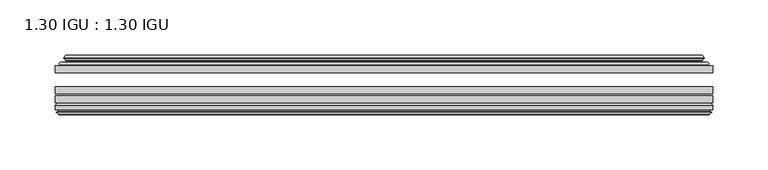
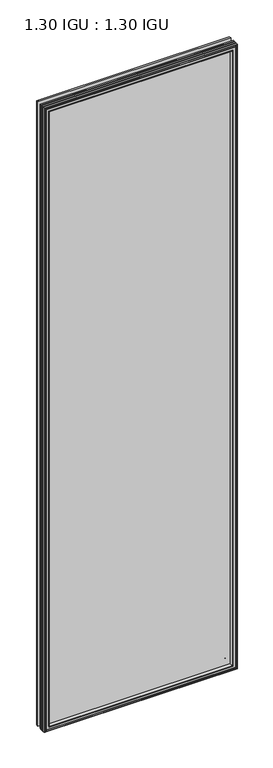
"""IFC4 building model written with IfcOpenShell, lengths in millimetres: plate geometry, 1.30 IGU : 1.30 IGU."""

from ifc_helpers import new_model, si_unit, frame, origin, place, context, project, spatial, polyline, ellipse_curve, outline, extrude, faceted_brep, source, transform, mapped, element, save
from ifc_brep_helpers import plane_surface, cylinder_surface, revolved_surface, advanced_brep


def plate_1_30_igu_1_30_igu_c314a17d(model_context):
    return source(origin(), model_context, "Body", "SolidModel", [
        extrude(outline(polyline([(296.6907351, -44.92625), (296.6907351, -51.27625), (-296.7576818, -51.27625), (-296.7576818, -44.92625), (296.6907351, -44.92625)])), frame((0.0, 0.0, -14.2875), z_axis=(0.0, 0.0, 1.0), x_axis=(1.0, 0.0, 0.0)), (0.0, 0.0, 1.0), 2025.65),
        extrude(outline(polyline([(-296.7576818, -78.58125), (-296.7576818, -72.23125), (296.6907351, -72.23125), (296.6907351, -78.58125), (-296.7576818, -78.58125)])), frame((0.0, 0.0, -14.2875), z_axis=(0.0, 0.0, 1.0), x_axis=(1.0, 0.0, 0.0)), (0.0, 0.0, 1.0), 2025.65),
        extrude(outline(polyline([(-296.7576818, -70.32625), (-296.7576818, -63.97625), (296.6907351, -63.97625), (296.6907351, -70.32625), (-296.7576818, -70.32625)])), frame((0.0, 0.0, -14.2875), z_axis=(0.0, 0.0, 1.0), x_axis=(1.0, 0.0, 0.0)), (0.0, 0.0, 1.0), 2025.65),
        advanced_brep(
        [(-278.422472, -43.8351483, 1993.0272902), (-278.8642822, -44.92625, 1993.4691004), (-278.8642822, -44.92625, 3.6058996), (-278.422472, -43.8351483, 4.0477098), (-282.4701818, -36.11245, 1997.075), (-282.4701818, -36.11245, 0.0), (-287.6560927, -37.2935491, 2002.2609109), (-287.6560927, -37.2935491, -5.1859109), (-287.3265175, -36.4664324, 2001.9313356), (-287.3265175, -36.4664324, -4.8563356), (-287.3265175, -35.6521812, 2001.9313356), (-287.3265175, -35.6521812, -4.8563356), (-289.1427929, -37.610817, 2003.7476111), (-289.1427929, -37.610817, -6.6726111), (-289.1427929, -38.3239429, 2003.7476111), (-289.1427929, -38.3239429, -6.6726111), (-287.3265175, -40.2727974, 2001.9313356), (-287.3265175, -40.2727974, -4.8563356), (-287.3265175, -39.4683275, 2001.9313356), (-287.3265175, -39.4683275, -4.8563356), (-287.648432, -38.6604367, 2002.2532501), (-287.648432, -38.6604367, -5.1782501), (-285.1246197, -38.502045, 1999.7294379), (-285.1246197, -38.502045, -2.6544379), (-284.0988035, -39.1897544, 1998.7036217), (-284.0988035, -39.1897544, -1.6286217), (-284.2172107, -40.5842231, 1998.8220288), (-284.2172107, -40.5842231, -1.7470288), (-284.8189566, -42.08145, 1999.4237748), (-284.8189566, -42.08145, -2.3487748), (-292.7447372, -43.9898729, 2007.3495553), (-292.2591063, -42.08145, 2006.8639245), (-292.2591063, -42.08145, -9.7889245), (-292.7447372, -43.9898729, -10.2745553), (-291.0239973, -44.92625, 2005.6288155), (-291.0239973, -44.92625, -8.5538155), (278.8642822, -44.92625, 3.6058996), (278.422472, -43.8351483, 4.0477098), (282.4701818, -36.11245, 0.0), (287.6560927, -37.2935491, -5.1859109), (287.3265175, -36.4664324, -4.8563356), (287.3265175, -35.6521812, -4.8563356), (289.1427929, -37.610817, -6.6726111), (289.1427929, -38.3239429, -6.6726111), (287.3265175, -40.2727974, -4.8563356), (287.3265175, -39.4683275, -4.8563356), (287.648432, -38.6604367, -5.1782501), (285.1246197, -38.502045, -2.6544379), (284.0988035, -39.1897544, -1.6286217), (284.2172107, -40.5842231, -1.7470288), (284.8189566, -42.08145, -2.3487748), (292.2591063, -42.08145, -9.7889245), (292.7447372, -43.9898729, -10.2745553), (291.0239973, -44.92625, -8.5538155), (278.8642822, -44.92625, 1993.4691004), (278.422472, -43.8351483, 1993.0272902), (282.4701818, -36.11245, 1997.075), (287.6560927, -37.2935491, 2002.2609109), (287.3265175, -36.4664324, 2001.9313356), (287.3265175, -35.6521812, 2001.9313356), (289.1427929, -37.610817, 2003.7476111), (289.1427929, -38.3239429, 2003.7476111), (287.3265175, -40.2727974, 2001.9313356), (287.3265175, -39.4683275, 2001.9313356), (287.648432, -38.6604367, 2002.2532501), (285.1246197, -38.502045, 1999.7294379), (284.0988035, -39.1897544, 1998.7036217), (284.2172107, -40.5842231, 1998.8220288), (284.8189566, -42.08145, 1999.4237748), (292.2591063, -42.08145, 2006.8639245), (292.7447372, -43.9898729, 2007.3495553), (291.0239973, -44.92625, 2005.6288155)],
        [
            (0, 1, ellipse_curve(frame((-278.8642822, -44.29125, 1993.4691004), z_axis=(-0.7071067811865475, 0.0, -0.7071067811865475), x_axis=(-0.7071067811865474, 0.0, 0.7071067811865476)), 0.8980256, 0.635)),
            (1, 2),
            (2, 3, ellipse_curve(frame((-278.8642822, -44.29125, 3.6058996), z_axis=(-0.7071067811865475, 0.0, 0.7071067811865475), x_axis=(0.7071067811865474, 0.0, 0.7071067811865476)), 0.8980256, 0.635)),
            (3, 0),
            (4, 0, ellipse_curve(frame((-268.7373872, -33.8367745, 1983.3422054), z_axis=(0.7071067811865475, 0.0, 0.7071067811865475), x_axis=(0.7071067811865474, 0.0, -0.7071067811865476)), 19.6859517, 13.9200699)),
            (3, 5, ellipse_curve(frame((-268.7373872, -33.8367745, 13.7327946), z_axis=(0.7071067811865475, 0.0, -0.7071067811865475), x_axis=(-0.7071067811865474, 0.0, -0.7071067811865476)), 19.6859517, 13.9200699)),
            (5, 4),
            (6, 4),
            (5, 7),
            (7, 6),
            (8, 6),
            (7, 9),
            (9, 8),
            (10, 8),
            (9, 11),
            (11, 10),
            (12, 10),
            (11, 13),
            (13, 12),
            (14, 12, ellipse_curve(frame((-288.7809547, -37.96738, 2003.3857729), z_axis=(-0.7071067811865475, 0.0, -0.7071067811865475), x_axis=(-0.7071067811865474, 0.0, 0.7071067811865476)), 0.7184205, 0.508)),
            (13, 15, ellipse_curve(frame((-288.7809547, -37.96738, -6.3107729), z_axis=(-0.7071067811865475, 0.0, 0.7071067811865475), x_axis=(0.7071067811865474, 0.0, 0.7071067811865476)), 0.7184205, 0.508)),
            (15, 14),
            (16, 14),
            (15, 17),
            (17, 16),
            (18, 16),
            (17, 19),
            (19, 18),
            (20, 18),
            (19, 21),
            (21, 20),
            (22, 20),
            (21, 23),
            (23, 22),
            (24, 22, ellipse_curve(frame((-285.0609818, -39.51605, 1999.6658), z_axis=(0.7071067811865475, 0.0, 0.7071067811865475), x_axis=(0.7071067811865474, 0.0, -0.7071067811865476)), 1.436841, 1.016)),
            (23, 25, ellipse_curve(frame((-285.0609818, -39.51605, -2.5908), z_axis=(0.7071067811865475, 0.0, -0.7071067811865475), x_axis=(-0.7071067811865474, 0.0, -0.7071067811865476)), 1.436841, 1.016)),
            (25, 24),
            (26, 24, ellipse_curve(frame((-286.4325818, -39.69385, 2001.0374), z_axis=(0.7071067811865475, 0.0, 0.7071067811865475), x_axis=(0.7071067811865474, 0.0, -0.7071067811865476)), 3.3765763, 2.3876)),
            (25, 27, ellipse_curve(frame((-286.4325818, -39.69385, -3.9624), z_axis=(0.7071067811865475, 0.0, -0.7071067811865475), x_axis=(-0.7071067811865474, 0.0, -0.7071067811865476)), 3.3765763, 2.3876)),
            (27, 26),
            (28, 26),
            (27, 29),
            (29, 28),
            (30, 31, ellipse_curve(frame((-292.2591063, -43.09745, 2006.8639245), z_axis=(-0.7071067811865475, 0.0, -0.7071067811865475), x_axis=(-0.7071067811865474, 0.0, 0.7071067811865476)), 1.436841, 1.016)),
            (31, 32),
            (32, 33, ellipse_curve(frame((-292.2591063, -43.09745, -9.7889245), z_axis=(-0.7071067811865475, 0.0, 0.7071067811865475), x_axis=(0.7071067811865474, 0.0, 0.7071067811865476)), 1.436841, 1.016)),
            (33, 30),
            (34, 30),
            (33, 35),
            (35, 34),
            (2, 36),
            (36, 37, ellipse_curve(frame((278.8642822, -44.29125, 3.6058996), z_axis=(-0.7071067811865475, 0.0, -0.7071067811865475), x_axis=(-0.7071067811865476, 0.0, 0.7071067811865474)), 0.8980256, 0.635)),
            (37, 3),
            (37, 38, ellipse_curve(frame((268.7373872, -33.8367745, 13.7327946), z_axis=(0.7071067811865475, 0.0, 0.7071067811865475), x_axis=(0.7071067811865476, 0.0, -0.7071067811865474)), 19.6859517, 13.9200699)),
            (38, 5),
            (38, 39),
            (39, 7),
            (39, 40),
            (40, 9),
            (40, 41),
            (41, 11),
            (41, 42),
            (42, 13),
            (42, 43, ellipse_curve(frame((288.7809547, -37.96738, -6.3107729), z_axis=(-0.7071067811865475, 0.0, -0.7071067811865475), x_axis=(-0.7071067811865476, 0.0, 0.7071067811865474)), 0.7184205, 0.508)),
            (43, 15),
            (43, 44),
            (44, 17),
            (44, 45),
            (45, 19),
            (45, 46),
            (46, 21),
            (46, 47),
            (47, 23),
            (47, 48, ellipse_curve(frame((285.0609818, -39.51605, -2.5908), z_axis=(0.7071067811865475, 0.0, 0.7071067811865475), x_axis=(0.7071067811865476, 0.0, -0.7071067811865474)), 1.436841, 1.016)),
            (48, 25),
            (48, 49, ellipse_curve(frame((286.4325818, -39.69385, -3.9624), z_axis=(0.7071067811865475, 0.0, 0.7071067811865475), x_axis=(0.7071067811865476, 0.0, -0.7071067811865474)), 3.3765763, 2.3876)),
            (49, 27),
            (49, 50),
            (50, 29),
            (32, 51),
            (51, 52, ellipse_curve(frame((292.2591063, -43.09745, -9.7889245), z_axis=(-0.7071067811865475, 0.0, -0.7071067811865475), x_axis=(-0.7071067811865476, 0.0, 0.7071067811865474)), 1.436841, 1.016)),
            (52, 33),
            (52, 53),
            (53, 35),
            (36, 54),
            (54, 55, ellipse_curve(frame((278.8642822, -44.29125, 1993.4691004), z_axis=(0.7071067811865475, 0.0, -0.7071067811865475), x_axis=(-0.7071067811865474, 0.0, -0.7071067811865476)), 0.8980256, 0.635)),
            (55, 37),
            (55, 56, ellipse_curve(frame((268.7373872, -33.8367745, 1983.3422054), z_axis=(-0.7071067811865475, 0.0, 0.7071067811865475), x_axis=(0.7071067811865474, 0.0, 0.7071067811865476)), 19.6859517, 13.9200699)),
            (56, 38),
            (56, 57),
            (57, 39),
            (57, 58),
            (58, 40),
            (58, 59),
            (59, 41),
            (59, 60),
            (60, 42),
            (60, 61, ellipse_curve(frame((288.7809547, -37.96738, 2003.3857729), z_axis=(0.7071067811865475, 0.0, -0.7071067811865475), x_axis=(-0.7071067811865474, 0.0, -0.7071067811865476)), 0.7184205, 0.508)),
            (61, 43),
            (61, 62),
            (62, 44),
            (62, 63),
            (63, 45),
            (63, 64),
            (64, 46),
            (64, 65),
            (65, 47),
            (65, 66, ellipse_curve(frame((285.0609818, -39.51605, 1999.6658), z_axis=(-0.7071067811865475, 0.0, 0.7071067811865475), x_axis=(0.7071067811865474, 0.0, 0.7071067811865476)), 1.436841, 1.016)),
            (66, 48),
            (66, 67, ellipse_curve(frame((286.4325818, -39.69385, 2001.0374), z_axis=(-0.7071067811865475, 0.0, 0.7071067811865475), x_axis=(0.7071067811865474, 0.0, 0.7071067811865476)), 3.3765763, 2.3876)),
            (67, 49),
            (67, 68),
            (68, 50),
            (51, 69),
            (69, 70, ellipse_curve(frame((292.2591063, -43.09745, 2006.8639245), z_axis=(0.7071067811865475, 0.0, -0.7071067811865475), x_axis=(-0.7071067811865474, 0.0, -0.7071067811865476)), 1.436841, 1.016)),
            (70, 52),
            (70, 71),
            (71, 53),
            (54, 1),
            (0, 55),
            (4, 56),
            (6, 57),
            (8, 58),
            (10, 59),
            (12, 60),
            (14, 61),
            (16, 62),
            (18, 63),
            (20, 64),
            (22, 65),
            (24, 66),
            (26, 67),
            (28, 68),
            (31, 69),
            (30, 70),
            (34, 71),
        ],
        [
            cylinder_surface(frame((-278.8642822, -44.29125, 2028.825), z_axis=(0.0, 0.0, 1.0), x_axis=(-1.0, 0.0, 0.0)), 0.635),
            revolved_surface(polyline([(-282.6574571, -33.8367745, -0.18727534118079348), (-282.6574571, -33.8367745, 1997.2622753411808)]), (-268.7373872, -33.8367745, 2028.825), (0.0, 0.0, -1.0)),
            plane_surface(frame((-282.4701818, -36.11245, 1997.075), z_axis=(-0.2220649844277866, 0.975031867525922, 0.0), x_axis=(0.0, 0.0, -1.0))),
            plane_surface(frame((-287.6560927, -37.2935491, 2002.2609109), z_axis=(0.9289682685629922, -0.3701593656833182, 0.0), x_axis=(0.0, 0.0, -1.0))),
            plane_surface(frame((-287.3265175, -36.4664324, 2001.9313356), z_axis=(1.0, 0.0, 0.0), x_axis=(0.0, 0.0, -1.0))),
            plane_surface(frame((-287.3265175, -35.6521812, 2001.9313356), z_axis=(-0.7332521292723956, 0.6799568478348447, 0.0), x_axis=(0.0, 0.0, -1.0))),
            cylinder_surface(frame((-288.7809547, -37.96738, 2028.825), z_axis=(0.0, 0.0, 1.0), x_axis=(-1.0, 0.0, 0.0)), 0.508),
            plane_surface(frame((-289.1427929, -38.3239429, 2003.7476111), z_axis=(-0.7315522693036389, -0.6817853601220082, 0.0), x_axis=(0.0, 0.0, -1.0))),
            plane_surface(frame((-287.3265175, -40.2727974, 2001.9313356), z_axis=(1.0, 0.0, 0.0), x_axis=(0.0, 0.0, -1.0))),
            plane_surface(frame((-287.3265175, -39.4683275, 2001.9313356), z_axis=(0.9289682685631103, 0.37015936568302166, 0.0), x_axis=(0.0, 0.0, -1.0))),
            plane_surface(frame((-287.648432, -38.6604367, 2002.2532501), z_axis=(0.06263570119321646, -0.9980364567169048, 0.0), x_axis=(0.0, 0.0, -1.0))),
            revolved_surface(polyline([(-286.0769818, -39.51605, -3.6068000145867245), (-286.0769818, -39.51605, 2000.6818000145868)]), (-285.0609818, -39.51605, 2028.825), (0.0, 0.0, -1.0)),
            revolved_surface(polyline([(-288.8201818, -39.69385, -6.3499999989237494), (-288.8201818, -39.69385, 2003.4249999989238)]), (-286.4325818, -39.69385, 2028.825), (0.0, 0.0, -1.0)),
            plane_surface(frame((-284.2172107, -40.5842231, 1998.8220288), z_axis=(-0.9278652925428912, 0.372915538553028, 0.0), x_axis=(0.0, 0.0, -1.0))),
            cylinder_surface(frame((-292.2591063, -43.09745, 2028.825), z_axis=(0.0, 0.0, 1.0), x_axis=(-1.0, 0.0, 0.0)), 1.016),
            plane_surface(frame((-292.7447372, -43.9898729, 2007.3495553), z_axis=(-0.477983117370979, -0.8783690223979447, 0.0), x_axis=(0.0, 0.0, -1.0))),
            cylinder_surface(frame((-314.2201818, -44.29125, 3.6058996), z_axis=(-1.0, 0.0, 0.0), x_axis=(0.0, 0.0, -1.0)), 0.635),
            revolved_surface(polyline([(282.65745714118077, -33.8367745, -0.1872752999999996), (-282.6574571411808, -33.8367745, -0.1872752999999996)]), (-314.2201818, -33.8367745, 13.7327946), (1.0, 0.0, 0.0)),
            plane_surface(frame((-282.4701818, -36.11245, 0.0), z_axis=(0.0, 0.9750318675259213, -0.22206498442778974), x_axis=(1.0, 0.0, 0.0))),
            plane_surface(frame((-287.6560927, -37.2935491, -5.1859109), z_axis=(0.0, -0.3701593656833152, 0.9289682685629934), x_axis=(1.0, 0.0, 0.0))),
            plane_surface(frame((-287.3265175, -36.4664324, -4.8563356), z_axis=(0.0, 0.0, 1.0), x_axis=(1.0, 0.0, 0.0))),
            plane_surface(frame((-287.3265175, -35.6521812, -4.8563356), z_axis=(0.0, 0.6799568478348423, -0.7332521292723978), x_axis=(1.0, 0.0, 0.0))),
            cylinder_surface(frame((-314.2201818, -37.96738, -6.3107729), z_axis=(-1.0, 0.0, 0.0), x_axis=(0.0, 0.0, -1.0)), 0.508),
            plane_surface(frame((-289.1427929, -38.3239429, -6.6726111), z_axis=(0.0, -0.6817853601220105, -0.7315522693036367), x_axis=(1.0, 0.0, 0.0))),
            plane_surface(frame((-287.3265175, -40.2727974, -4.8563356), z_axis=(0.0, 0.0, 1.0), x_axis=(1.0, 0.0, 0.0))),
            plane_surface(frame((-287.3265175, -39.4683275, -4.8563356), z_axis=(0.0, 0.37015936568302465, 0.9289682685631091), x_axis=(1.0, 0.0, 0.0))),
            plane_surface(frame((-287.648432, -38.6604367, -5.1782501), z_axis=(0.0, -0.9980364567169046, 0.06263570119321968), x_axis=(1.0, 0.0, 0.0))),
            revolved_surface(polyline([(286.0769818145868, -39.51605, -3.6068000000000002), (-286.0769818145868, -39.51605, -3.6068000000000002)]), (-314.2201818, -39.51605, -2.5908), (1.0, 0.0, 0.0)),
            revolved_surface(polyline([(288.8201817989237, -39.69385, -6.35), (-288.8201817989238, -39.69385, -6.35)]), (-314.2201818, -39.69385, -3.9624), (1.0, 0.0, 0.0)),
            plane_surface(frame((-284.2172107, -40.5842231, -1.7470288), z_axis=(0.0, 0.372915538553025, -0.9278652925428924), x_axis=(1.0, 0.0, 0.0))),
            cylinder_surface(frame((-314.2201818, -43.09745, -9.7889245), z_axis=(-1.0, 0.0, 0.0), x_axis=(0.0, 0.0, -1.0)), 1.016),
            plane_surface(frame((-292.7447372, -43.9898729, -10.2745553), z_axis=(0.0, -0.8783690223979462, -0.47798311737097615), x_axis=(1.0, 0.0, 0.0))),
            cylinder_surface(frame((278.8642822, -44.29125, -31.75), z_axis=(0.0, 0.0, -1.0), x_axis=(1.0, 0.0, 0.0)), 0.635),
            revolved_surface(polyline([(282.6574571, -33.8367745, 1997.2622753411808), (282.6574571, -33.8367745, -0.1872753411808432)]), (268.7373872, -33.8367745, -31.75), (0.0, 0.0, 1.0)),
            plane_surface(frame((282.4701818, -36.11245, 0.0), z_axis=(0.22206498442779285, 0.9750318675259205, 0.0), x_axis=(0.0, 0.0, 1.0))),
            plane_surface(frame((287.6560927, -37.2935491, -5.1859109), z_axis=(-0.9289682685629946, -0.3701593656833122, 0.0), x_axis=(0.0, 0.0, 1.0))),
            plane_surface(frame((287.3265175, -36.4664324, -4.8563356), z_axis=(-1.0, 0.0, 0.0), x_axis=(0.0, 0.0, 1.0))),
            plane_surface(frame((287.3265175, -35.6521812, -4.8563356), z_axis=(0.7332521292724, 0.67995684783484, 0.0), x_axis=(0.0, 0.0, 1.0))),
            cylinder_surface(frame((288.7809547, -37.96738, -31.75), z_axis=(0.0, 0.0, -1.0), x_axis=(1.0, 0.0, 0.0)), 0.508),
            plane_surface(frame((289.1427929, -38.3239429, -6.6726111), z_axis=(0.7315522693036345, -0.6817853601220129, 0.0), x_axis=(0.0, 0.0, 1.0))),
            plane_surface(frame((287.3265175, -40.2727974, -4.8563356), z_axis=(-1.0, 0.0, 0.0), x_axis=(0.0, 0.0, 1.0))),
            plane_surface(frame((287.3265175, -39.4683275, -4.8563356), z_axis=(-0.928968268563108, 0.3701593656830277, 0.0), x_axis=(0.0, 0.0, 1.0))),
            plane_surface(frame((287.648432, -38.6604367, -5.1782501), z_axis=(-0.0626357011932229, -0.9980364567169043, 0.0), x_axis=(0.0, 0.0, 1.0))),
            revolved_surface(polyline([(286.0769818, -39.51605, 2000.6818000145868), (286.0769818, -39.51605, -3.606800014586863)]), (285.0609818, -39.51605, -31.75), (0.0, 0.0, 1.0)),
            revolved_surface(polyline([(288.8201818, -39.69385, 2003.4249999989238), (288.8201818, -39.69385, -6.349999998923781)]), (286.4325818, -39.69385, -31.75), (0.0, 0.0, 1.0)),
            plane_surface(frame((284.2172107, -40.5842231, -1.7470288), z_axis=(0.9278652925428936, 0.372915538553022, 0.0), x_axis=(0.0, 0.0, 1.0))),
            cylinder_surface(frame((292.2591063, -43.09745, -31.75), z_axis=(0.0, 0.0, -1.0), x_axis=(1.0, 0.0, 0.0)), 1.016),
            plane_surface(frame((292.7447372, -43.9898729, -10.2745553), z_axis=(0.4779831173709733, -0.8783690223979478, 0.0), x_axis=(0.0, 0.0, 1.0))),
            cylinder_surface(frame((314.2201818, -44.29125, 1993.4691004), z_axis=(1.0, 0.0, 0.0), x_axis=(0.0, 0.0, 1.0)), 0.635),
            revolved_surface(polyline([(-282.65745714118077, -33.8367745, 1997.2622753), (282.6574571411808, -33.8367745, 1997.2622753)]), (314.2201818, -33.8367745, 1983.3422054), (-1.0, 0.0, 0.0)),
            plane_surface(frame((282.4701818, -36.11245, 1997.075), z_axis=(0.0, 0.9750318675259212, 0.2220649844277897), x_axis=(-1.0, 0.0, 0.0))),
            plane_surface(frame((287.6560927, -37.2935491, 2002.2609109), z_axis=(0.0, -0.3701593656833152, -0.9289682685629934), x_axis=(-1.0, 0.0, 0.0))),
            plane_surface(frame((287.3265175, -36.4664324, 2001.9313356), z_axis=(0.0, 0.0, -1.0), x_axis=(-1.0, 0.0, 0.0))),
            plane_surface(frame((287.3265175, -35.6521812, 2001.9313356), z_axis=(0.0, 0.6799568478348423, 0.7332521292723978), x_axis=(-1.0, 0.0, 0.0))),
            cylinder_surface(frame((314.2201818, -37.96738, 2003.3857729), z_axis=(1.0, 0.0, 0.0), x_axis=(0.0, 0.0, 1.0)), 0.508),
            plane_surface(frame((289.1427929, -38.3239429, 2003.7476111), z_axis=(0.0, -0.6817853601220105, 0.7315522693036367), x_axis=(-1.0, 0.0, 0.0))),
            plane_surface(frame((287.3265175, -40.2727974, 2001.9313356), z_axis=(0.0, 0.0, -1.0), x_axis=(-1.0, 0.0, 0.0))),
            plane_surface(frame((287.3265175, -39.4683275, 2001.9313356), z_axis=(0.0, 0.3701593656830247, -0.9289682685631092), x_axis=(-1.0, 0.0, 0.0))),
            plane_surface(frame((287.648432, -38.6604367, 2002.2532501), z_axis=(0.0, -0.9980364567169046, -0.06263570119321968), x_axis=(-1.0, 0.0, 0.0))),
            revolved_surface(polyline([(-286.0769818145868, -39.51605, 2000.6818), (286.0769818145868, -39.51605, 2000.6818)]), (314.2201818, -39.51605, 1999.6658), (-1.0, 0.0, 0.0)),
            revolved_surface(polyline([(-288.8201817989237, -39.69385, 2003.425), (288.8201817989238, -39.69385, 2003.425)]), (314.2201818, -39.69385, 2001.0374), (-1.0, 0.0, 0.0)),
            plane_surface(frame((284.2172107, -40.5842231, 1998.8220288), z_axis=(0.0, 0.372915538553025, 0.9278652925428924), x_axis=(-1.0, 0.0, 0.0))),
            plane_surface(frame((284.8189566, -42.08145, 1999.4237748), z_axis=(0.0, 1.0, 0.0), x_axis=(-1.0, 0.0, 0.0))),
            cylinder_surface(frame((314.2201818, -43.09745, 2006.8639245), z_axis=(1.0, 0.0, 0.0), x_axis=(0.0, 0.0, 1.0)), 1.016),
            plane_surface(frame((292.7447372, -43.9898729, 2007.3495553), z_axis=(0.0, -0.8783690223979462, 0.47798311737097615), x_axis=(-1.0, 0.0, 0.0))),
            plane_surface(frame((291.0239973, -44.92625, 2005.6288155), z_axis=(0.0, -1.0, 0.0), x_axis=(-1.0, 0.0, 0.0))),
        ],
        [
            (0, [[1, 2, 3, 4]]),
            (1, [[5, -4, 6, 7]]),
            (2, [[8, -7, 9, 10]]),
            (3, [[11, -10, 12, 13]]),
            (4, [[14, -13, 15, 16]]),
            (5, [[17, -16, 18, 19]]),
            (6, [[20, -19, 21, 22]]),
            (7, [[23, -22, 24, 25]]),
            (8, [[26, -25, 27, 28]]),
            (9, [[29, -28, 30, 31]]),
            (10, [[32, -31, 33, 34]]),
            (11, [[35, -34, 36, 37]]),
            (12, [[38, -37, 39, 40]]),
            (13, [[41, -40, 42, 43]]),
            (14, [[44, 45, 46, 47]]),
            (15, [[48, -47, 49, 50]]),
            (16, [[-3, 51, 52, 53]]),
            (17, [[-6, -53, 54, 55]]),
            (18, [[-9, -55, 56, 57]]),
            (19, [[-12, -57, 58, 59]]),
            (20, [[-15, -59, 60, 61]]),
            (21, [[-18, -61, 62, 63]]),
            (22, [[-21, -63, 64, 65]]),
            (23, [[-24, -65, 66, 67]]),
            (24, [[-27, -67, 68, 69]]),
            (25, [[-30, -69, 70, 71]]),
            (26, [[-33, -71, 72, 73]]),
            (27, [[-36, -73, 74, 75]]),
            (28, [[-39, -75, 76, 77]]),
            (29, [[-42, -77, 78, 79]]),
            (30, [[-46, 80, 81, 82]]),
            (31, [[-49, -82, 83, 84]]),
            (32, [[-52, 85, 86, 87]]),
            (33, [[-54, -87, 88, 89]]),
            (34, [[-56, -89, 90, 91]]),
            (35, [[-58, -91, 92, 93]]),
            (36, [[-60, -93, 94, 95]]),
            (37, [[-62, -95, 96, 97]]),
            (38, [[-64, -97, 98, 99]]),
            (39, [[-66, -99, 100, 101]]),
            (40, [[-68, -101, 102, 103]]),
            (41, [[-70, -103, 104, 105]]),
            (42, [[-72, -105, 106, 107]]),
            (43, [[-74, -107, 108, 109]]),
            (44, [[-76, -109, 110, 111]]),
            (45, [[-78, -111, 112, 113]]),
            (46, [[-81, 114, 115, 116]]),
            (47, [[-83, -116, 117, 118]]),
            (48, [[-86, 119, -1, 120]]),
            (49, [[-88, -120, -5, 121]]),
            (50, [[-90, -121, -8, 122]]),
            (51, [[-92, -122, -11, 123]]),
            (52, [[-94, -123, -14, 124]]),
            (53, [[-96, -124, -17, 125]]),
            (54, [[-98, -125, -20, 126]]),
            (55, [[-100, -126, -23, 127]]),
            (56, [[-102, -127, -26, 128]]),
            (57, [[-104, -128, -29, 129]]),
            (58, [[-106, -129, -32, 130]]),
            (59, [[-108, -130, -35, 131]]),
            (60, [[-110, -131, -38, 132]]),
            (61, [[-112, -132, -41, 133]]),
            (62, [[134, -114, -80, -45], [-79, -113, -133, -43]]),
            (63, [[-115, -134, -44, 135]]),
            (64, [[-117, -135, -48, 136]]),
            (65, [[-84, -118, -136, -50], [-119, -85, -51, -2]]),
        ],
    ),
        faceted_brep([(-278.6159646, -78.58125, 1993.2207827), (-281.1822616, -87.47125, 1995.7870798), (-281.1822616, -87.47125, 1.2879202), (-278.6159646, -78.58125, 3.8542173), (-296.7703818, -80.7883102, 2011.3752), (-294.5633216, -78.58125, 2009.1681398), (-294.5633216, -78.58125, -12.0931398), (-296.7703818, -80.7883102, -14.3002), (-296.7703818, -84.93125, 2011.3752), (-296.7703818, -84.93125, -14.3002), (-294.3513594, -86.11489, 2008.9561775), (-295.1905501, -84.93125, 2009.7953682), (-295.1905501, -84.93125, -12.7203682), (-294.3513594, -86.11489, -11.8811775), (-294.1541818, -87.4125884, 2008.759), (-294.1541818, -87.4125884, -11.684), (-295.1298418, -86.8828917, 2009.73466), (-295.1298418, -86.8828917, -12.65966), (-293.5953818, -88.6999663, 2008.2002), (-295.9225124, -86.8828917, 2010.5273305), (-295.9225124, -86.8828917, -13.4523305), (-293.5953818, -88.6999663, -11.1252), (-291.2682513, -86.8828917, 2005.8730695), (-291.2682513, -86.8828917, -8.7980695), (-293.0365818, -87.4125884, 2007.6414), (-292.0609219, -86.8828917, 2006.66574), (-292.0609219, -86.8828917, -9.59074), (-293.0365818, -87.4125884, -10.5664), (-292.8394043, -86.11489, 2007.4442225), (-292.8394043, -86.11489, -10.3692225), (-291.9697818, -84.93125, 2006.5746), (-291.9697818, -84.93125, -9.4996), (-282.8215485, -87.47125, 1997.4263667), (-282.2923818, -84.93125, 1996.8972), (-282.2923818, -84.93125, 0.1778), (-282.8215485, -87.47125, -0.3513667), (281.1822616, -87.47125, 1.2879202), (278.6159646, -78.58125, 3.8542173), (294.5633216, -78.58125, -12.0931398), (296.7703818, -80.7883102, -14.3002), (296.7703818, -84.93125, -14.3002), (295.1905501, -84.93125, -12.7203682), (294.3513594, -86.11489, -11.8811775), (294.1541818, -87.4125884, -11.684), (295.1298418, -86.8828917, -12.65966), (295.9225124, -86.8828917, -13.4523305), (293.5953818, -88.6999663, -11.1252), (291.2682513, -86.8828917, -8.7980695), (292.0609219, -86.8828917, -9.59074), (293.0365818, -87.4125884, -10.5664), (292.8394043, -86.11489, -10.3692225), (291.9697818, -84.93125, -9.4996), (282.2923818, -84.93125, 0.1778), (282.8215485, -87.47125, -0.3513667), (281.1822616, -87.47125, 1995.7870798), (278.6159646, -78.58125, 1993.2207827), (294.5633216, -78.58125, 2009.1681398), (296.7703818, -80.7883102, 2011.3752), (296.7703818, -84.93125, 2011.3752), (295.1905501, -84.93125, 2009.7953682), (294.3513594, -86.11489, 2008.9561775), (294.1541818, -87.4125884, 2008.759), (295.1298418, -86.8828917, 2009.73466), (295.9225124, -86.8828917, 2010.5273305), (293.5953818, -88.6999663, 2008.2002), (291.2682513, -86.8828917, 2005.8730695), (292.0609219, -86.8828917, 2006.66574), (293.0365818, -87.4125884, 2007.6414), (292.8394043, -86.11489, 2007.4442225), (291.9697818, -84.93125, 2006.5746), (282.2923818, -84.93125, 1996.8972), (282.8215485, -87.47125, 1997.4263667)], [[[0, 1, 2, 3]], [[4, 5, 6, 7]], [[8, 4, 7, 9]], [[10, 11, 12, 13]], [[14, 10, 13, 15]], [[16, 14, 15, 17]], [[18, 19, 20, 21]], [[22, 18, 21, 23]], [[24, 25, 26, 27]], [[28, 24, 27, 29]], [[30, 28, 29, 31]], [[32, 33, 34, 35]], [[3, 2, 36, 37]], [[7, 6, 38, 39]], [[9, 7, 39, 40]], [[13, 12, 41, 42]], [[15, 13, 42, 43]], [[17, 15, 43, 44]], [[21, 20, 45, 46]], [[23, 21, 46, 47]], [[27, 26, 48, 49]], [[29, 27, 49, 50]], [[31, 29, 50, 51]], [[35, 34, 52, 53]], [[37, 36, 54, 55]], [[39, 38, 56, 57]], [[40, 39, 57, 58]], [[42, 41, 59, 60]], [[43, 42, 60, 61]], [[44, 43, 61, 62]], [[46, 45, 63, 64]], [[47, 46, 64, 65]], [[49, 48, 66, 67]], [[50, 49, 67, 68]], [[51, 50, 68, 69]], [[53, 52, 70, 71]], [[55, 54, 1, 0]], [[5, 56, 38, 6], [3, 37, 55, 0]], [[57, 56, 5, 4]], [[58, 57, 4, 8]], [[9, 40, 58, 8], [11, 59, 41, 12]], [[60, 59, 11, 10]], [[61, 60, 10, 14]], [[62, 61, 14, 16]], [[19, 63, 45, 20], [17, 44, 62, 16]], [[64, 63, 19, 18]], [[65, 64, 18, 22]], [[25, 66, 48, 26], [23, 47, 65, 22]], [[67, 66, 25, 24]], [[68, 67, 24, 28]], [[69, 68, 28, 30]], [[31, 51, 69, 30], [33, 70, 52, 34]], [[71, 70, 33, 32]], [[35, 53, 71, 32], [1, 54, 36, 2]]]),
    ])


if __name__ == "__main__":
    model = new_model("IFC4")
    model_context = context("Model", 3, world=origin())
    ifc_project = project(units=[si_unit("LENGTHUNIT", "METRE", prefix="MILLI")], contexts=[model_context])
    site = spatial("IfcSite", under=ifc_project)
    building = spatial("IfcBuilding", under=site)
    placement = place(None, origin())
    plate_1_30_igu_1_30_igu_shape = plate_1_30_igu_1_30_igu_c314a17d(model_context)
    element("IfcPlate", 1, ObjectType="1.30 IGU : 1.30 IGU", at=placement, inside=building, context=model_context, shape_type="MappedRepresentation", body=[
        mapped(plate_1_30_igu_1_30_igu_shape, transform((0.0, 0.0, 0.0), x_axis=(1.0, 0.0, 0.0), y_axis=(0.0, 1.0, 0.0), z_axis=(0.0, 0.0, 1.0))),
    ])
    save(model, "model.ifc")
